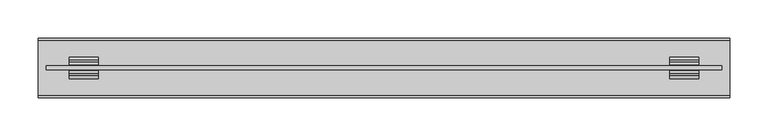
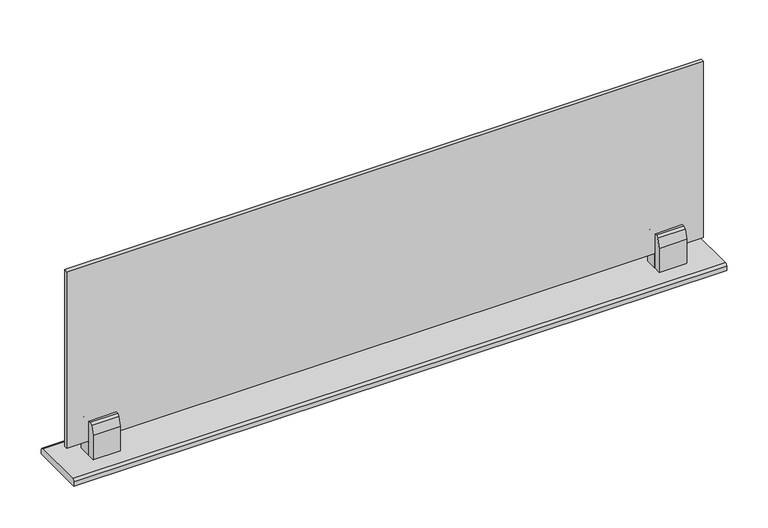
"""IFC4 building model written with IfcOpenShell, lengths in millimetres: furniture geometry."""

from ifc_helpers import new_model, si_unit, point, frame, frame_2d, origin, place, context, project, spatial, polyline, circle_curve, trimmed, segment, composite_curve, outline, extrude, source, transform, mapped, element, save


def furniture_956785f4(model_context):
    return source(origin(), model_context, "Body", "SweptSolid", [
        extrude(outline(polyline([(-9.1179732, 1211.2625), (-5.645317, 1211.2625), (-5.645317, 1160.4625), (-15.6664107, 1160.4625), (-15.6664107, 1195.9828125), (-12.1937545, 1208.88125), (-9.1179732, 1211.2625)])), frame((223.205675, 0.0, 0.0), z_axis=(1.0, 0.0, 0.0), x_axis=(0.0, 1.0, 0.0)), (0.0, 0.0, 1.0), 38.1),
        extrude(outline(polyline([(5.8204018, 1211.2625), (8.896183, 1208.88125), (12.3688393, 1195.9828125), (12.3688393, 1160.4625), (-5.4468795, 1160.4625), (-5.4468795, 1180.8023437), (2.3477455, 1180.8023437), (2.3477455, 1211.2625), (5.8204018, 1211.2625)])), frame((223.205675, 0.0, 0.0), z_axis=(1.0, 0.0, 0.0), x_axis=(0.0, 1.0, 0.0)), (0.0, 0.0, 1.0), 38.1),
        extrude(outline(polyline([(-9.1179732, 1211.2625), (-5.645317, 1211.2625), (-5.645317, 1160.4625), (-15.6664107, 1160.4625), (-15.6664107, 1195.9828125), (-12.1937545, 1208.88125), (-9.1179732, 1211.2625)])), frame((-566.099325, 0.0, 0.0), z_axis=(1.0, 0.0, 0.0), x_axis=(0.0, 1.0, 0.0)), (0.0, 0.0, 1.0), 38.1),
        extrude(outline(polyline([(5.8204018, 1211.2625), (8.896183, 1208.88125), (12.3688393, 1195.9828125), (12.3688393, 1160.4625), (-5.4468795, 1160.4625), (-5.4468795, 1180.8023438), (2.3477455, 1180.8023438), (2.3477455, 1211.2625), (5.8204018, 1211.2625)])), frame((-566.099325, 0.0, 0.0), z_axis=(1.0, 0.0, 0.0), x_axis=(0.0, 1.0, 0.0)), (0.0, 0.0, 1.0), 38.1),
        extrude(outline(polyline([(291.468175, 1.0579018), (291.468175, -4.3554732), (-596.261825, -4.3554732), (-596.261825, 1.0579018), (291.468175, 1.0579018)])), frame((0.0, 0.0, 1180.8023437), z_axis=(0.0, 0.0, 1.0), x_axis=(1.0, 0.0, 0.0)), (0.0, 0.0, 1.0), 260.35),
        extrude(outline(composite_curve([segment(polyline([(37.5704018, 1157.2875), (37.5704018, 1150.9375), (-40.8679732, 1150.9375), (-40.8679732, 1157.2875)]), True, "CONTINUOUS"), segment(trimmed(circle_curve(frame_2d((-37.6929732, 1157.2875)), 3.175), [point((-40.8679732, 1157.2875))], [point((-37.6929732, 1160.4625))], False, "CARTESIAN"), True, "CONTINUOUS"), segment(polyline([(-37.6929732, 1160.4625), (34.3954018, 1160.4625)]), True, "CONTINUOUS"), segment(trimmed(circle_curve(frame_2d((34.3954018, 1157.2875)), 3.175), [point((34.3954018, 1160.4625))], [point((37.5704018, 1157.2875))], False, "CARTESIAN"), True, "CONTINUOUS")], self_intersect=False)), frame((-607.374325, 0.0, 0.0), z_axis=(1.0, 0.0, 0.0), x_axis=(0.0, 1.0, 0.0)), (0.0, 0.0, 1.0), 909.955),
    ])


if __name__ == "__main__":
    model = new_model("IFC4")
    model_context = context("Model", 3, world=origin())
    ifc_project = project(units=[si_unit("LENGTHUNIT", "METRE", prefix="MILLI")], contexts=[model_context])
    site = spatial("IfcSite", under=ifc_project)
    building = spatial("IfcBuilding", under=site)
    placement = place(None, origin())
    furniture_shape = furniture_956785f4(model_context)
    element("IfcFurniture", 1, at=placement, inside=building, context=model_context, shape_type="MappedRepresentation", body=[
        mapped(furniture_shape, transform((0.0, 0.0, 0.0), x_axis=(1.0, 0.0, 0.0), y_axis=(0.0, 1.0, 0.0), z_axis=(0.0, 0.0, 1.0))),
    ])
    save(model, "model.ifc")
